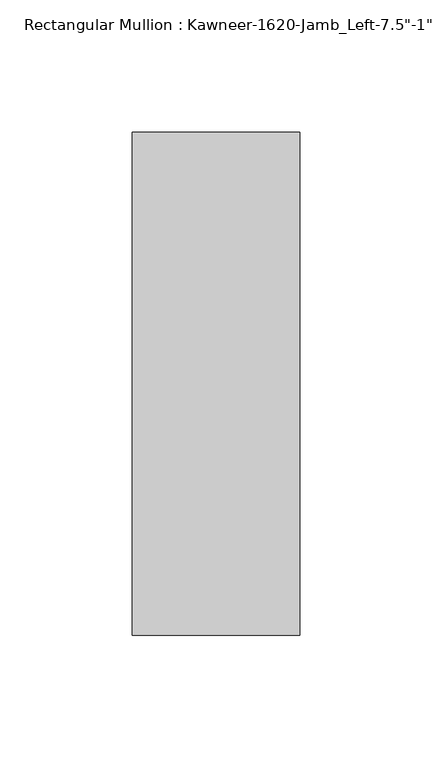
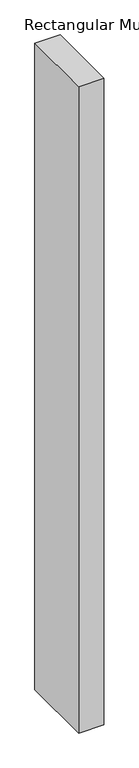
"""IFC4 building model written with IfcOpenShell, lengths in millimetres: member geometry."""

from ifc_helpers import new_model, si_unit, frame, origin, place, context, project, spatial, polyline, outline, extrude, source, transform, mapped, element, save


def member_75412dc7(model_context):
    return source(origin(), model_context, "Body", "SweptSolid", [
        extrude(outline(polyline([(22.225, -38.1), (-41.275, -38.1), (-41.275, 152.4), (22.225, 152.4), (22.225, -38.1)])), frame((0.0, 0.0, -1720.85), z_axis=(0.0, 0.0, 1.0), x_axis=(1.0, 0.0, 0.0)), (0.0, 0.0, 1.0), 1720.85),
    ])


if __name__ == "__main__":
    model = new_model("IFC4")
    model_context = context("Model", 3, world=origin())
    ifc_project = project(units=[si_unit("LENGTHUNIT", "METRE", prefix="MILLI")], contexts=[model_context])
    site = spatial("IfcSite", under=ifc_project)
    building = spatial("IfcBuilding", under=site)
    placement = place(None, origin())
    member_shape = member_75412dc7(model_context)
    element("IfcMember", 1, ObjectType="Rectangular Mullion : Kawneer-1620-Jamb_Left-7.5\"-1\"Infill", at=placement, inside=building, context=model_context, shape_type="MappedRepresentation", body=[
        mapped(member_shape, transform((0.0, 0.0, 0.0), x_axis=(1.0, 0.0, 0.0), y_axis=(0.0, 1.0, 0.0), z_axis=(0.0, 0.0, 1.0))),
    ])
    save(model, "model.ifc")
